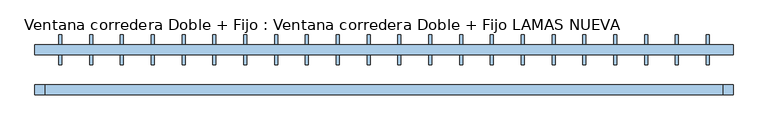
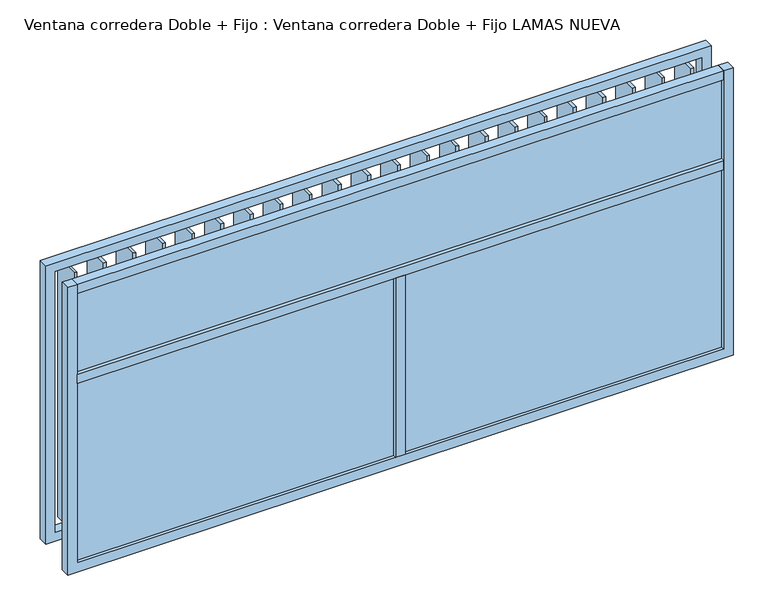
"""IFC4 building model written with IfcOpenShell, lengths in millimetres: window geometry, Ventana corredera Doble + Fijo : Ventana corredera Doble + Fijo LAMAS NUEVA."""

from ifc_helpers import new_model, si_unit, frame, origin, place, context, project, spatial, polyline, outline, extrude, source, transform, mapped, element, save


def ventana_corredera_doble_fijo_ventana_corredera_doble_fijo_e145625d(model_context):
    return source(origin(), model_context, "Body", "SweptSolid", [
        extrude(outline(polyline([(1630.2272727, 174.65), (1630.2272727, 25.35), (1615.2272727, 25.35), (1615.2272727, 174.65), (1630.2272727, 174.65)])), frame((0.0, 0.0, 850.0), z_axis=(0.0, 0.0, 1.0), x_axis=(1.0, 0.0, 0.0)), (0.0, 0.0, 1.0), 1450.0),
        extrude(outline(polyline([(1475.6818182, 174.65), (1475.6818182, 25.35), (1460.6818182, 25.35), (1460.6818182, 174.65), (1475.6818182, 174.65)])), frame((0.0, 0.0, 850.0), z_axis=(0.0, 0.0, 1.0), x_axis=(1.0, 0.0, 0.0)), (0.0, 0.0, 1.0), 1450.0),
        extrude(outline(polyline([(1321.1363636, 174.65), (1321.1363636, 25.35), (1306.1363636, 25.35), (1306.1363636, 174.65), (1321.1363636, 174.65)])), frame((0.0, 0.0, 850.0), z_axis=(0.0, 0.0, 1.0), x_axis=(1.0, 0.0, 0.0)), (0.0, 0.0, 1.0), 1450.0),
        extrude(outline(polyline([(1166.5909091, 174.65), (1166.5909091, 25.35), (1151.5909091, 25.35), (1151.5909091, 174.65), (1166.5909091, 174.65)])), frame((0.0, 0.0, 850.0), z_axis=(0.0, 0.0, 1.0), x_axis=(1.0, 0.0, 0.0)), (0.0, 0.0, 1.0), 1450.0),
        extrude(outline(polyline([(1012.0454545, 174.65), (1012.0454545, 25.35), (997.0454545, 25.35), (997.0454545, 174.65), (1012.0454545, 174.65)])), frame((0.0, 0.0, 850.0), z_axis=(0.0, 0.0, 1.0), x_axis=(1.0, 0.0, 0.0)), (0.0, 0.0, 1.0), 1450.0),
        extrude(outline(polyline([(857.5, 174.65), (857.5, 25.35), (842.5, 25.35), (842.5, 174.65), (857.5, 174.65)])), frame((0.0, 0.0, 850.0), z_axis=(0.0, 0.0, 1.0), x_axis=(1.0, 0.0, 0.0)), (0.0, 0.0, 1.0), 1450.0),
        extrude(outline(polyline([(702.9545455, 174.65), (702.9545455, 25.35), (687.9545455, 25.35), (687.9545455, 174.65), (702.9545455, 174.65)])), frame((0.0, 0.0, 850.0), z_axis=(0.0, 0.0, 1.0), x_axis=(1.0, 0.0, 0.0)), (0.0, 0.0, 1.0), 1450.0),
        extrude(outline(polyline([(548.4090909, 174.65), (548.4090909, 25.35), (533.4090909, 25.35), (533.4090909, 174.65), (548.4090909, 174.65)])), frame((0.0, 0.0, 850.0), z_axis=(0.0, 0.0, 1.0), x_axis=(1.0, 0.0, 0.0)), (0.0, 0.0, 1.0), 1450.0),
        extrude(outline(polyline([(393.8636364, 174.65), (393.8636364, 25.35), (378.8636364, 25.35), (378.8636364, 174.65), (393.8636364, 174.65)])), frame((0.0, 0.0, 850.0), z_axis=(0.0, 0.0, 1.0), x_axis=(1.0, 0.0, 0.0)), (0.0, 0.0, 1.0), 1450.0),
        extrude(outline(polyline([(239.3181818, 174.65), (239.3181818, 25.35), (224.3181818, 25.35), (224.3181818, 174.65), (239.3181818, 174.65)])), frame((0.0, 0.0, 850.0), z_axis=(0.0, 0.0, 1.0), x_axis=(1.0, 0.0, 0.0)), (0.0, 0.0, 1.0), 1450.0),
        extrude(outline(polyline([(84.7727273, 174.65), (84.7727273, 25.35), (69.7727273, 25.35), (69.7727273, 174.65), (84.7727273, 174.65)])), frame((0.0, 0.0, 850.0), z_axis=(0.0, 0.0, 1.0), x_axis=(1.0, 0.0, 0.0)), (0.0, 0.0, 1.0), 1450.0),
        extrude(outline(polyline([(-69.7727273, 174.65), (-69.7727273, 25.35), (-84.7727273, 25.35), (-84.7727273, 174.65), (-69.7727273, 174.65)])), frame((0.0, 0.0, 850.0), z_axis=(0.0, 0.0, 1.0), x_axis=(1.0, 0.0, 0.0)), (0.0, 0.0, 1.0), 1450.0),
        extrude(outline(polyline([(-224.3181818, 174.65), (-224.3181818, 25.35), (-239.3181818, 25.35), (-239.3181818, 174.65), (-224.3181818, 174.65)])), frame((0.0, 0.0, 850.0), z_axis=(0.0, 0.0, 1.0), x_axis=(1.0, 0.0, 0.0)), (0.0, 0.0, 1.0), 1450.0),
        extrude(outline(polyline([(-378.8636364, 174.65), (-378.8636364, 25.35), (-393.8636364, 25.35), (-393.8636364, 174.65), (-378.8636364, 174.65)])), frame((0.0, 0.0, 850.0), z_axis=(0.0, 0.0, 1.0), x_axis=(1.0, 0.0, 0.0)), (0.0, 0.0, 1.0), 1450.0),
        extrude(outline(polyline([(-533.4090909, 174.65), (-533.4090909, 25.35), (-548.4090909, 25.35), (-548.4090909, 174.65), (-533.4090909, 174.65)])), frame((0.0, 0.0, 850.0), z_axis=(0.0, 0.0, 1.0), x_axis=(1.0, 0.0, 0.0)), (0.0, 0.0, 1.0), 1450.0),
        extrude(outline(polyline([(-687.9545455, 174.65), (-687.9545455, 25.35), (-702.9545455, 25.35), (-702.9545455, 174.65), (-687.9545455, 174.65)])), frame((0.0, 0.0, 850.0), z_axis=(0.0, 0.0, 1.0), x_axis=(1.0, 0.0, 0.0)), (0.0, 0.0, 1.0), 1450.0),
        extrude(outline(polyline([(-842.5, 174.65), (-842.5, 25.35), (-857.5, 25.35), (-857.5, 174.65), (-842.5, 174.65)])), frame((0.0, 0.0, 850.0), z_axis=(0.0, 0.0, 1.0), x_axis=(1.0, 0.0, 0.0)), (0.0, 0.0, 1.0), 1450.0),
        extrude(outline(polyline([(-997.0454545, 174.65), (-997.0454545, 25.35), (-1012.0454545, 25.35), (-1012.0454545, 174.65), (-997.0454545, 174.65)])), frame((0.0, 0.0, 850.0), z_axis=(0.0, 0.0, 1.0), x_axis=(1.0, 0.0, 0.0)), (0.0, 0.0, 1.0), 1450.0),
        extrude(outline(polyline([(-1151.5909091, 174.65), (-1151.5909091, 25.35), (-1166.5909091, 25.35), (-1166.5909091, 174.65), (-1151.5909091, 174.65)])), frame((0.0, 0.0, 850.0), z_axis=(0.0, 0.0, 1.0), x_axis=(1.0, 0.0, 0.0)), (0.0, 0.0, 1.0), 1450.0),
        extrude(outline(polyline([(-1306.1363636, 174.65), (-1306.1363636, 25.35), (-1321.1363636, 25.35), (-1321.1363636, 174.65), (-1306.1363636, 174.65)])), frame((0.0, 0.0, 850.0), z_axis=(0.0, 0.0, 1.0), x_axis=(1.0, 0.0, 0.0)), (0.0, 0.0, 1.0), 1450.0),
        extrude(outline(polyline([(-1460.6818182, 174.65), (-1460.6818182, 25.35), (-1475.6818182, 25.35), (-1475.6818182, 174.65), (-1460.6818182, 174.65)])), frame((0.0, 0.0, 850.0), z_axis=(0.0, 0.0, 1.0), x_axis=(1.0, 0.0, 0.0)), (0.0, 0.0, 1.0), 1450.0),
        extrude(outline(polyline([(-1615.2272727, 174.65), (-1615.2272727, 25.35), (-1630.2272727, 25.35), (-1630.2272727, 174.65), (-1615.2272727, 174.65)])), frame((0.0, 0.0, 850.0), z_axis=(0.0, 0.0, 1.0), x_axis=(1.0, 0.0, 0.0)), (0.0, 0.0, 1.0), 1450.0),
        extrude(outline(polyline([(-950.0, 75.0), (-1000.0, 75.0), (-1000.0, 125.0), (-950.0, 125.0), (-950.0, 75.0)])), frame((0.0, 0.0, 750.0), z_axis=(0.0, 0.0, 1.0), x_axis=(1.0, 0.0, 0.0)), (0.0, 0.0, 1.0), 50.0),
        extrude(outline(polyline([(1000.0, 75.0), (950.0, 75.0), (950.0, 125.0), (1000.0, 125.0), (1000.0, 75.0)])), frame((0.0, 0.0, 750.0), z_axis=(0.0, 0.0, 1.0), x_axis=(1.0, 0.0, 0.0)), (0.0, 0.0, 1.0), 50.0),
        extrude(outline(polyline([(2350.0, 1750.0), (2350.0, -1750.0), (800.0, -1750.0), (800.0, 1750.0), (2350.0, 1750.0)]), holes=[polyline([(2300.0, 1700.0), (850.0, 1700.0), (850.0, -1700.0), (2300.0, -1700.0), (2300.0, 1700.0)])]), frame((0.0, 75.0, 0.0), z_axis=(0.0, 1.0, 0.0), x_axis=(0.0, 0.0, 1.0)), (0.0, 0.0, 1.0), 50.0),
        extrude(outline(polyline([(1700.0, -125.0), (-1700.0, -125.0), (-1700.0, -75.0), (1700.0, -75.0), (1700.0, -125.0)])), frame((0.0, 0.0, 1800.0), z_axis=(0.0, 0.0, 1.0), x_axis=(1.0, 0.0, 0.0)), (0.0, 0.0, 1.0), 50.0),
        extrude(outline(polyline([(1700.0, -106.5), (-1700.0, -106.5), (-1700.0, -93.5), (1700.0, -93.5), (1700.0, -106.5)])), frame((0.0, 0.0, 1850.0), z_axis=(0.0, 0.0, 1.0), x_axis=(1.0, 0.0, 0.0)), (0.0, 0.0, 1.0), 450.0),
        extrude(outline(polyline([(-25.0, -93.5), (-25.0, -106.5), (-1700.0, -106.5), (-1700.0, -93.5), (-25.0, -93.5)])), frame((0.0, 0.0, 800.0), z_axis=(0.0, 0.0, 1.0), x_axis=(1.0, 0.0, 0.0)), (0.0, 0.0, 1.0), 1000.0),
        extrude(outline(polyline([(1700.0, -93.5), (1700.0, -106.5), (25.0, -106.5), (25.0, -93.5), (1700.0, -93.5)])), frame((0.0, 0.0, 800.0), z_axis=(0.0, 0.0, 1.0), x_axis=(1.0, 0.0, 0.0)), (0.0, 0.0, 1.0), 1000.0),
        extrude(outline(polyline([(2350.0, -1700.0), (2350.0, -1750.0), (750.0, -1750.0), (750.0, 1750.0), (2350.0, 1750.0), (2350.0, 1700.0), (800.0, 1700.0), (800.0, -1700.0), (2350.0, -1700.0)])), frame((0.0, -125.0, 0.0), z_axis=(0.0, 1.0, 0.0), x_axis=(0.0, 0.0, 1.0)), (0.0, 0.0, 1.0), 50.0),
        extrude(outline(polyline([(-25.0, -125.0), (-25.0, -75.0), (25.0, -75.0), (25.0, -125.0), (-25.0, -125.0)])), frame((0.0, 0.0, 800.0), z_axis=(0.0, 0.0, 1.0), x_axis=(1.0, 0.0, 0.0)), (0.0, 0.0, 1.0), 1000.0),
        extrude(outline(polyline([(1700.0, -75.0), (1700.0, -125.0), (-1700.0, -125.0), (-1700.0, -75.0), (1700.0, -75.0)])), frame((0.0, 0.0, 2300.0), z_axis=(0.0, 0.0, 1.0), x_axis=(1.0, 0.0, 0.0)), (0.0, 0.0, 1.0), 50.0),
    ])


if __name__ == "__main__":
    model = new_model("IFC4")
    model_context = context("Model", 3, world=origin())
    ifc_project = project(units=[si_unit("LENGTHUNIT", "METRE", prefix="MILLI")], contexts=[model_context])
    site = spatial("IfcSite", under=ifc_project)
    building = spatial("IfcBuilding", under=site)
    placement = place(None, origin())
    ventana_corredera_doble_fijo_ventana_corredera_doble_fijo_shape = ventana_corredera_doble_fijo_ventana_corredera_doble_fijo_e145625d(model_context)
    element("IfcWindow", 1, ObjectType="Ventana corredera Doble + Fijo : Ventana corredera Doble + Fijo LAMAS NUEVA", at=placement, inside=building, context=model_context, shape_type="MappedRepresentation", body=[
        mapped(ventana_corredera_doble_fijo_ventana_corredera_doble_fijo_shape, transform((0.0, 0.0, 0.0), x_axis=(1.0, 0.0, 0.0), y_axis=(0.0, 1.0, 0.0), z_axis=(0.0, 0.0, 1.0))),
    ])
    save(model, "model.ifc")
